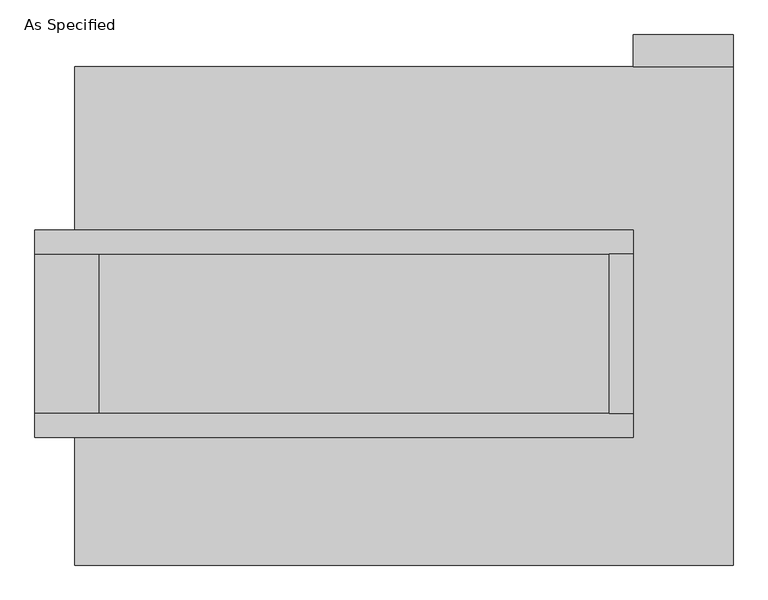
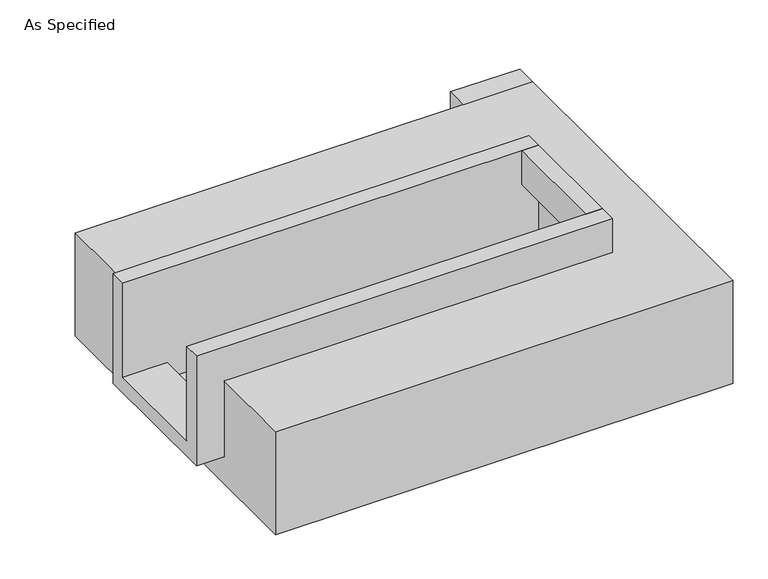
"""IFC4 building model written with IfcOpenShell, lengths in millimetres: proxy geometry, As Specified."""

from ifc_helpers import new_model, si_unit, frame, origin, place, context, project, spatial, polyline, outline, extrude, faceted_brep, source, transform, mapped, element, save


def as_specified_78c36f75(model_context):
    return source(origin(), model_context, "Body", "SolidModel", [
        extrude(outline(polyline([(1123.95, 793.75), (806.45, 793.75), (806.45, 895.35), (1123.95, 895.35), (1123.95, 793.75)])), frame((0.0, 0.0, -523.9742188), z_axis=(0.0, 0.0, 1.0), x_axis=(1.0, 0.0, 0.0)), (0.0, 0.0, 1.0), 498.5742188),
        extrude(outline(polyline([(730.25, 196.85), (806.45, 196.85), (806.45, -311.15), (730.25, -311.15), (730.25, 196.85)])), frame((0.0, 0.0, -25.4), z_axis=(0.0, 0.0, 1.0), x_axis=(1.0, 0.0, 0.0)), (0.0, 0.0, 1.0), 165.1),
        faceted_brep([(806.45, 196.85, 139.7), (806.45, 196.85, -317.5), (806.45, -311.15, -317.5), (806.45, -311.15, 139.7), (806.45, -387.35, 139.7), (806.45, -387.35, -393.7), (806.45, 273.05, -393.7), (806.45, 273.05, 139.7), (-1098.55, 196.85, 139.7), (-1098.55, 273.05, 139.7), (-1098.55, 273.05, -393.7), (-1098.55, -387.35, -393.7), (-1098.55, -387.35, 139.7), (-1098.55, -311.15, 139.7), (-1098.55, -311.15, -317.5), (-1098.55, 196.85, -317.5), (-895.35, 196.85, -393.7), (-895.35, -311.15, -393.7), (730.25, -311.15, -393.7), (730.25, 196.85, -393.7), (730.25, -311.15, -317.5), (-895.35, -311.15, -317.5), (730.25, 196.85, -317.5), (-895.35, 196.85, -317.5)], [[[0, 1, 2, 3, 4, 5, 6, 7]], [[8, 9, 10, 11, 12, 13, 14, 15]], [[0, 7, 9, 8]], [[7, 6, 10, 9]], [[6, 5, 11, 10], [16, 17, 18, 19]], [[4, 3, 13, 12]], [[3, 2, 20, 18, 17, 21, 14, 13]], [[2, 1, 22, 20]], [[15, 14, 21, 23]], [[1, 0, 8, 15, 23, 16, 19, 22]], [[21, 17, 16, 23]], [[18, 20, 22, 19]], [[5, 4, 12, 11]]]),
        faceted_brep([(1123.95, 793.75, -523.9742188), (1123.95, -793.75, -523.9742188), (-971.55, -793.75, -523.9742188), (-971.55, 793.75, -523.9742188), (-971.55, 793.75, -25.4), (-971.55, 273.05, -25.4), (806.45, 273.05, -25.4), (806.45, -387.35, -25.4), (-971.55, -387.35, -25.4), (-971.55, -793.75, -25.4), (1123.95, -793.75, -25.4), (1123.95, 793.75, -25.4), (-971.55, -387.35, -393.7), (-971.55, 273.05, -393.7), (806.45, 273.05, -393.7), (806.45, -387.35, -393.7)], [[[0, 1, 2, 3]], [[4, 5, 6, 7, 8, 9, 10, 11]], [[0, 3, 4, 11]], [[4, 3, 2, 9, 8, 12, 13, 5]], [[2, 1, 10, 9]], [[14, 15, 7, 6]], [[13, 14, 6, 5]], [[15, 14, 13, 12]], [[15, 12, 8, 7]], [[1, 0, 11, 10]]]),
    ])


if __name__ == "__main__":
    model = new_model("IFC4")
    model_context = context("Model", 3, world=origin())
    ifc_project = project(units=[si_unit("LENGTHUNIT", "METRE", prefix="MILLI")], contexts=[model_context])
    site = spatial("IfcSite", under=ifc_project)
    building = spatial("IfcBuilding", under=site)
    placement = place(None, origin())
    as_specified_shape = as_specified_78c36f75(model_context)
    element("IfcBuildingElementProxy", 1, Name="As Specified", ObjectType="As Specified", at=placement, inside=building, context=model_context, shape_type="MappedRepresentation", body=[
        mapped(as_specified_shape, transform((0.0, 0.0, 0.0), x_axis=(1.0, 0.0, 0.0), y_axis=(0.0, 1.0, 0.0), z_axis=(0.0, 0.0, 1.0))),
    ])
    save(model, "model.ifc")
